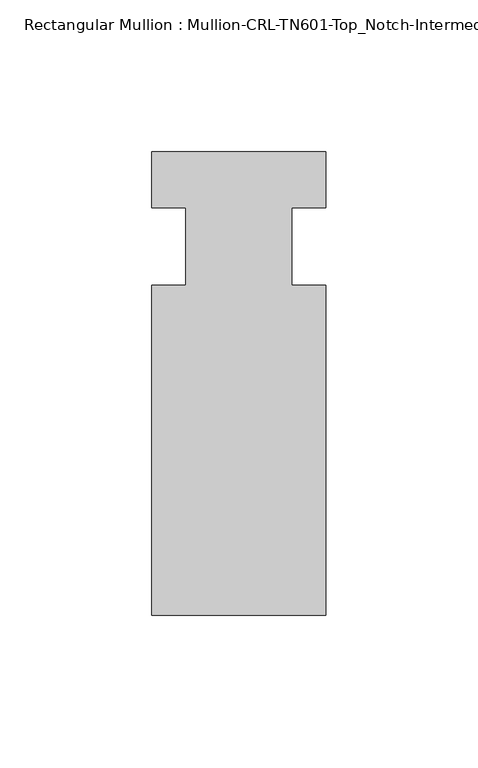
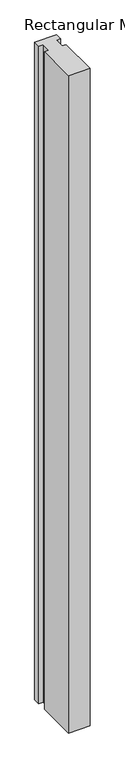
"""IFC4 building model written with IfcOpenShell, lengths in millimetres: member geometry, Rectangular Mullion : Mullion-CRL-TN601-Top_Notch-Intermediate_Vertical."""

from ifc_helpers import new_model, si_unit, frame, origin, place, context, project, spatial, polyline, outline, extrude, source, transform, mapped, element, save


def rectangular_mullion_mullion_crl_tn601_top_notch_intermediate_061d6306(model_context):
    return source(origin(), model_context, "Body", "SweptSolid", [
        extrude(outline(polyline([(-28.575, -12.7), (-17.4625, -12.7), (-17.4625, 12.7), (-28.575, 12.7), (-28.575, 31.1404), (28.575, 31.1404), (28.575, 12.7), (17.4625, 12.7), (17.4625, -12.7), (28.575, -12.7), (28.575, -121.2596), (-28.575, -121.2596), (-28.575, -12.7)])), frame((0.0, 0.0, -1819.130463), z_axis=(0.0, 0.0, 1.0), x_axis=(1.0, 0.0, 0.0)), (0.0, 0.0, 1.0), 1819.130463),
    ])


if __name__ == "__main__":
    model = new_model("IFC4")
    model_context = context("Model", 3, world=origin())
    ifc_project = project(units=[si_unit("LENGTHUNIT", "METRE", prefix="MILLI")], contexts=[model_context])
    site = spatial("IfcSite", under=ifc_project)
    building = spatial("IfcBuilding", under=site)
    placement = place(None, origin())
    rectangular_mullion_mullion_crl_tn601_top_notch_intermediate_shape = rectangular_mullion_mullion_crl_tn601_top_notch_intermediate_061d6306(model_context)
    element("IfcMember", 1, ObjectType="Rectangular Mullion : Mullion-CRL-TN601-Top_Notch-Intermediate_Vertical", at=placement, inside=building, context=model_context, shape_type="MappedRepresentation", body=[
        mapped(rectangular_mullion_mullion_crl_tn601_top_notch_intermediate_shape, transform((0.0, 0.0, 0.0), x_axis=(1.0, 0.0, 0.0), y_axis=(0.0, 1.0, 0.0), z_axis=(0.0, 0.0, 1.0))),
    ])
    save(model, "model.ifc")
